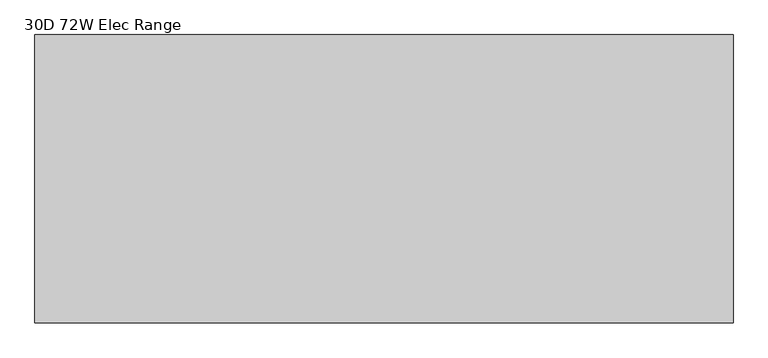
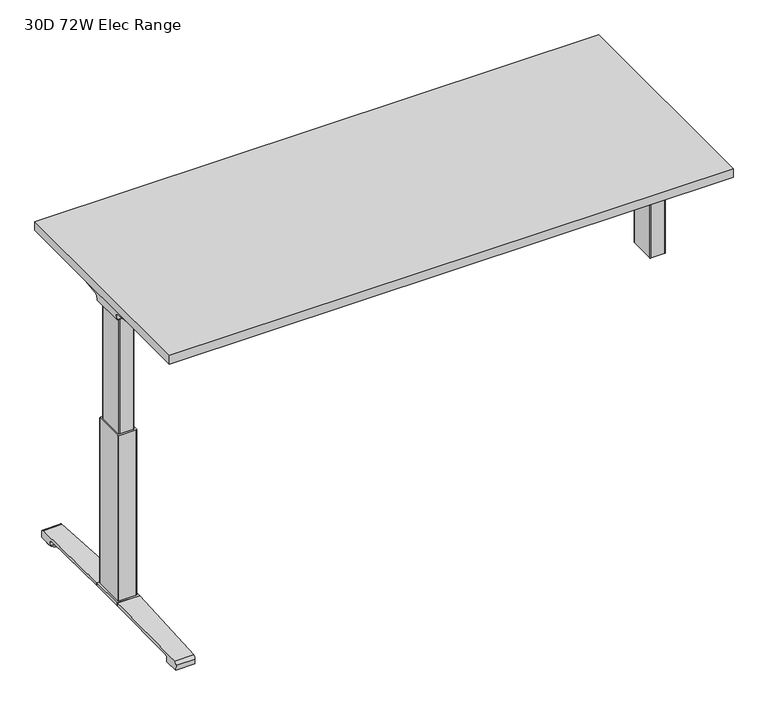
"""IFC4 building model written with IfcOpenShell, lengths in millimetres: furniture geometry, 30D 72W Elec Range."""

from ifc_helpers import new_model, si_unit, point, frame, frame_2d, origin, place, context, project, spatial, polyline, circle_curve, ellipse_curve, trimmed, segment, composite_curve, outline, extrude, source, transform, mapped, element, save
from ifc_brep_helpers import plane_surface, cylinder_surface, revolved_surface, advanced_brep


def furniture_30d_72w_elec_range_a9c08116(model_context):
    return source(origin(), model_context, "Body", "SolidModel", [
        extrude(outline(polyline([(887.476, 366.776), (887.476, -366.776), (-887.476, -366.776), (-887.476, 366.776), (887.476, 366.776)])), frame((0.0, 0.0, 1037.209), z_axis=(0.0, 0.0, 1.0), x_axis=(1.0, 0.0, 0.0)), (0.0, 0.0, 1.0), 29.591),
        advanced_brep(
        [(-871.1406297, 53.5092702, 988.7915733), (-705.4122138, 53.5092702, 988.7915733), (-719.7924181, 51.2808169, 986.1442785), (-868.6518591, 51.2808169, 986.1442785), (-871.3625278, 53.518256, 989.0276054), (-873.7619089, 54.1622827, 1005.9443054), (-690.9773962, 54.1622827, 1005.9443054), (-690.9773962, 53.8142965, 996.8037253), (-693.8075093, 53.7331058, 994.6710821), (-693.9501644, 53.6554397, 992.6310191), (-874.6185362, 59.6293181, 1011.9839076), (-690.9773962, 59.6293181, 1011.9839076), (-877.1393767, 174.2005225, 1029.7569507), (-812.9243442, 174.2005225, 1029.7569507), (-690.9773962, 93.3958, 1017.2219877), (-877.2128152, 177.9765275, 1030.2747243), (-818.6229255, 177.9765275, 1030.2747243), (-877.8871296, 179.4867839, 1035.0289399), (-876.1021288, 176.9098888, 1037.209), (-817.0132011, 176.9098888, 1037.209), (-877.8871296, -179.4867839, 1035.0289399), (-877.2128152, -177.9765275, 1030.2747243), (-818.6229255, -177.9765275, 1030.2747243), (-817.0132011, -176.9098888, 1037.209), (-876.1021288, -176.9098888, 1037.209), (-877.1393767, -174.2005225, 1029.7569507), (-812.9243442, -174.2005225, 1029.7569507), (-874.6185362, -59.6293181, 1011.9839076), (-690.9773962, -59.6293181, 1011.9839076), (-690.9773962, -93.3958, 1017.2219877), (-873.7619089, -54.1622827, 1005.9443054), (-690.9773962, -54.1622827, 1005.9443054), (-871.3625278, -53.518256, 989.0276054), (-871.1406297, -53.5092702, 988.7915733), (-705.4122138, -53.5092702, 988.7915733), (-693.9501644, -53.6554397, 992.6310191), (-693.8075093, -53.7331058, 994.6710821), (-690.9773962, -53.8142965, 996.8037253), (-868.6518591, -51.2808169, 986.1442785), (-719.7924181, -51.2808169, 986.1442785), (-690.9773962, -93.3958, 1037.209), (-690.9773962, 93.3958, 1037.209)],
        [
            (0, 1),
            (1, 2, ellipse_curve(frame((-729.6936465, 130.5470009, 1080.3086722), z_axis=(0.0, 0.7650318638532662, -0.6439924279750482), x_axis=(0.0, 0.6439924279750482, 0.7650318638532662)), 123.7641411, 94.6835116)),
            (2, 3),
            (3, 0),
            (0, 4),
            (4, 5),
            (5, 6),
            (6, 7),
            (7, 8),
            (8, 9),
            (9, 1, ellipse_curve(frame((-729.6936465, 56.9933686, 1080.3086722), z_axis=(0.0, 0.999276106683639, -0.03804290487316255), x_axis=(0.0, 0.03804290487316397, 0.999276106683639)), 94.752102, 94.6835116)),
            (5, 10, ellipse_curve(frame((-873.7119691, 60.6208409, 1005.5922075), z_axis=(-0.990090671484964, 0.0, -0.14042956326377007), x_axis=(-0.1404295632637696, 0.0, 0.990090671484964)), 6.5328852, 6.4681487)),
            (10, 11),
            (11, 6, circle_curve(frame((-690.9773962, 60.6208409, 1005.5922075), z_axis=(1.0, 0.0, 0.0), x_axis=(0.0, 1.0, 0.0)), 6.4681487)),
            (10, 12),
            (12, 13),
            (13, 14),
            (14, 11),
            (12, 15),
            (15, 16),
            (16, 13),
            (15, 17, ellipse_curve(frame((-877.6730772, 175.9994111, 1033.5197755), z_axis=(0.990090671484964, 0.0, 0.14042956326377007), x_axis=(0.1404295632637696, 0.0, -0.990090671484964)), 3.8379455, 3.7999141)),
            (17, 18, ellipse_curve(frame((-879.122811, 175.9994111, 1033.5197755), z_axis=(0.7737284588433301, 0.0, -0.6335173809580328), x_axis=(0.6335173809580328, 0.0, 0.77372845884333)), 4.9111727, 3.7999141)),
            (18, 19),
            (19, 16, ellipse_curve(frame((-815.639148, 175.9994111, 1033.5197755), z_axis=(-0.5523637579768195, -0.8336031902972334, 0.0), x_axis=(0.8336031902972335, -0.5523637579768195, 0.0)), 6.8793689, 3.7999141)),
            (20, 21, ellipse_curve(frame((-877.6730772, -175.9994111, 1033.5197755), z_axis=(0.990090671484964, 0.0, 0.14042956326377007), x_axis=(0.1404295632637696, 0.0, -0.990090671484964)), 3.8379455, 3.7999141)),
            (21, 22),
            (22, 23, ellipse_curve(frame((-815.639148, -175.9994111, 1033.5197755), z_axis=(-0.5523637579750433, 0.8336031902984103, 0.0), x_axis=(0.8336031902984103, 0.5523637579750433, 0.0)), 6.8793689, 3.7999141)),
            (23, 24),
            (24, 20, ellipse_curve(frame((-879.122811, -175.9994111, 1033.5197755), z_axis=(0.7737284588433301, 0.0, -0.6335173809580328), x_axis=(0.6335173809580328, 0.0, 0.77372845884333)), 4.9111727, 3.7999141)),
            (21, 25),
            (25, 26),
            (26, 22),
            (27, 28),
            (28, 29),
            (29, 26),
            (25, 27),
            (27, 30, ellipse_curve(frame((-873.7119691, -60.6208409, 1005.5922075), z_axis=(-0.990090671484964, 0.0, -0.14042956326377007), x_axis=(-0.1404295632637696, 0.0, 0.990090671484964)), 6.5328852, 6.4681487)),
            (30, 31),
            (31, 28, circle_curve(frame((-690.9773962, -60.6208409, 1005.5922075), z_axis=(1.0, 0.0, 0.0), x_axis=(0.0, 1.0, 0.0)), 6.4681487)),
            (30, 32),
            (32, 33),
            (33, 34),
            (34, 35, ellipse_curve(frame((-729.6936465, -56.9933686, 1080.3086722), z_axis=(0.0, -0.9992761066836363, -0.03804290487323539), x_axis=(0.0, 0.03804290487323121, -0.9992761066836364)), 94.752102, 94.6835116)),
            (35, 36),
            (36, 37),
            (37, 31),
            (33, 38),
            (38, 39),
            (39, 34, ellipse_curve(frame((-729.6936465, -130.5470009, 1080.3086722), z_axis=(0.0, -0.7650318638534733, -0.643992427974802), x_axis=(0.0, 0.643992427974802, -0.7650318638534732)), 123.7641411, 94.6835116)),
            (4, 32),
            (20, 17),
            (24, 18),
            (23, 40),
            (40, 41),
            (41, 19),
            (37, 7),
            (14, 41),
            (40, 29),
            (36, 8),
            (35, 9),
            (39, 2),
            (38, 3),
        ],
        [
            plane_surface(frame((-894.1773962, 51.2808169, 986.1442785), z_axis=(0.0, 0.7650318638532662, -0.6439924279750482), x_axis=(1.0, 0.0, 0.0))),
            plane_surface(frame((-894.1773962, 53.5092702, 988.7915733), z_axis=(0.0, 0.999276106683639, -0.03804290487316255), x_axis=(1.0, 0.0, 0.0))),
            revolved_surface(polyline([(-874.6293793154883, 67.08898959999999, 1005.5922075), (-690.9773962, 67.08898959999999, 1005.5922075)]), (-894.1773962, 60.6208409, 1005.5922075), (-1.0, 0.0, 0.0)),
            plane_surface(frame((-894.1773962, 59.6293181, 1011.9839076), z_axis=(0.0, 0.153293135871396, -0.9881807600306302), x_axis=(1.0, 0.0, 0.0))),
            plane_surface(frame((-894.1773962, 174.2005225, 1029.7569507), z_axis=(0.0, 0.13585085469026903, -0.9907292996979162), x_axis=(1.0, 0.0, 0.0))),
            cylinder_surface(frame((-894.1773962, 175.9994111, 1033.5197755), z_axis=(1.0, 0.0, 0.0), x_axis=(0.0, 1.0, 0.0)), 3.7999141),
            cylinder_surface(frame((-894.1773962, -175.9994111, 1033.5197755), z_axis=(1.0, 0.0, 0.0), x_axis=(0.0, 1.0, 0.0)), 3.7999141),
            plane_surface(frame((-894.1773962, -177.9765275, 1030.2747243), z_axis=(0.0, -0.13585085468791205, -0.9907292996982394), x_axis=(1.0, 0.0, 0.0))),
            plane_surface(frame((-894.1773962, -174.2005225, 1029.7569507), z_axis=(0.0, -0.1532931358714066, -0.9881807600306285), x_axis=(1.0, 0.0, 0.0))),
            revolved_surface(polyline([(-874.6293793154883, -54.1526922, 1005.5922075), (-690.9773962, -54.1526922, 1005.5922075)]), (-894.1773962, -60.6208409, 1005.5922075), (-1.0, 0.0, 0.0)),
            plane_surface(frame((-894.1773962, -54.1622827, 1005.9443054), z_axis=(0.0, -0.9992761066836363, -0.03804290487323539), x_axis=(1.0, 0.0, 0.0))),
            plane_surface(frame((-894.1773962, -53.5092702, 988.7915733), z_axis=(0.0, -0.7650318638534733, -0.643992427974802), x_axis=(1.0, 0.0, 0.0))),
            plane_surface(frame((-871.3625278, 190.5, 989.0276054), z_axis=(-0.990090671484964, 0.0, -0.14042956326377007), x_axis=(0.0, -1.0, 0.0))),
            plane_surface(frame((-877.8871296, 190.5, 1035.0289399), z_axis=(-0.7737284588433301, 0.0, 0.6335173809580328), x_axis=(0.0, -1.0, 0.0))),
            plane_surface(frame((-876.1021288, 190.5, 1037.209), z_axis=(0.0, 0.0, 1.0), x_axis=(0.0, -1.0, 0.0))),
            plane_surface(frame((-690.9773962, 190.5, 1037.209), z_axis=(1.0, 0.0, 0.0), x_axis=(0.0, -1.0, 0.0))),
            plane_surface(frame((-690.9773962, 190.5, 996.8037253), z_axis=(0.6018150231516033, 0.0, -0.7986355100476283), x_axis=(0.0, -1.0, 0.0))),
            plane_surface(frame((-693.8075093, 190.5, 994.6710821), z_axis=(0.9975640502600355, 0.0, -0.06975647374110414), x_axis=(0.0, -1.0, 0.0))),
            cylinder_surface(frame((-729.6936465, 190.5, 1080.3086722), z_axis=(0.0, 1.0, 0.0), x_axis=(1.0, 0.0, 0.0)), 94.6835116),
            plane_surface(frame((-719.7924181, 190.5, 986.1442785), z_axis=(0.0, 0.0, -1.0), x_axis=(0.0, -1.0, 0.0))),
            plane_surface(frame((-868.6518591, 190.5, 986.1442785), z_axis=(-0.728584606419653, 0.0, -0.6849558170337118), x_axis=(0.0, -1.0, 0.0))),
            plane_surface(frame((-837.5228017, 190.5, 1037.209), z_axis=(0.5523637579768195, 0.8336031902972334, 0.0), x_axis=(0.0, 0.0, -1.0))),
            plane_surface(frame((-690.9773962, -93.3958, 1037.209), z_axis=(0.5523637579750433, -0.8336031902984103, 0.0), x_axis=(0.0, 0.0, -1.0))),
        ],
        [
            (0, [[1, 2, 3, 4]]),
            (1, [[-1, 5, 6, 7, 8, 9, 10, 11]]),
            (2, [[-7, 12, 13, 14]]),
            (3, [[-13, 15, 16, 17, 18]]),
            (4, [[19, 20, 21, -16]]),
            (5, [[22, 23, 24, 25, -20]]),
            (6, [[26, 27, 28, 29, 30]]),
            (7, [[31, 32, 33, -27]]),
            (8, [[34, 35, 36, -32, 37]]),
            (9, [[-34, 38, 39, 40]]),
            (10, [[-39, 41, 42, 43, 44, 45, 46, 47]]),
            (11, [[-43, 48, 49, 50]]),
            (12, [[51, -41, -38, -37, -31, -26, 52, -22, -19, -15, -12, -6]]),
            (13, [[-52, -30, 53, -23]]),
            (14, [[-53, -29, 54, 55, 56, -24]]),
            (15, [[57, -8, -14, -18, 58, -55, 59, -35, -40, -47]]),
            (16, [[-57, -46, 60, -9]]),
            (17, [[-60, -45, 61, -10]]),
            (18, [[-61, -44, -50, 62, -2, -11]]),
            (19, [[-62, -49, 63, -3]]),
            (20, [[-51, -5, -4, -63, -48, -42]]),
            (21, [[-56, -58, -17, -21, -25]]),
            (22, [[-54, -28, -33, -36, -59]]),
        ],
    ),
        advanced_brep(
        [(705.4122138, 53.5092702, 988.7915733), (871.1406297, 53.5092702, 988.7915733), (868.6518591, 51.2808169, 986.1442785), (719.7924181, 51.2808169, 986.1442785), (693.9501644, 53.6554397, 992.6310191), (693.8075093, 53.7331058, 994.6710821), (691.1619573, 53.8090018, 996.6646485), (691.1619573, 54.1622827, 1005.9443054), (873.7619089, 54.1622827, 1005.9443054), (871.3625278, 53.518256, 989.0276054), (691.1619573, 59.6293181, 1011.9839076), (874.6185362, 59.6293181, 1011.9839076), (691.1619573, 93.3889953, 1017.2209321), (812.9570453, 174.2005225, 1029.7569507), (877.1393767, 174.2005225, 1029.7569507), (877.2128152, 177.9765275, 1030.2747243), (818.6480509, 177.9765275, 1030.2747243), (877.8871296, 179.4867839, 1035.0289399), (817.0404665, 176.9098888, 1037.209), (876.1021288, 176.9098888, 1037.209), (877.2128152, -177.9765275, 1030.2747243), (877.8871296, -179.4867839, 1035.0289399), (876.1021288, -176.9098888, 1037.209), (817.0404665, -176.9098888, 1037.209), (818.6480509, -177.9765275, 1030.2747243), (877.1393767, -174.2005225, 1029.7569507), (812.9570453, -174.2005225, 1029.7569507), (691.1619573, -59.6293181, 1011.9839076), (874.6185362, -59.6293181, 1011.9839076), (691.1619573, -93.3889953, 1017.2209321), (691.1619573, -54.1622827, 1005.9443054), (873.7619089, -54.1622827, 1005.9443054), (691.1619573, -53.8090018, 996.6646485), (693.8075093, -53.7331058, 994.6710821), (693.9501644, -53.6554397, 992.6310191), (705.4122138, -53.5092702, 988.7915733), (871.1406297, -53.5092702, 988.7915733), (871.3625278, -53.518256, 989.0276054), (719.7924181, -51.2808169, 986.1442785), (868.6518591, -51.2808169, 986.1442785), (691.1619573, 93.3889953, 1037.209), (691.1619573, -93.3889953, 1037.209)],
        [
            (0, 1),
            (1, 2),
            (2, 3),
            (3, 0, ellipse_curve(frame((729.6936465, 130.5470009, 1080.3086722), z_axis=(0.0, 0.7650318638532565, -0.6439924279750596), x_axis=(0.0, -0.6439924279750596, -0.7650318638532564)), 123.7641411, 94.6835116)),
            (0, 4, ellipse_curve(frame((729.6936465, 56.9933686, 1080.3086722), z_axis=(0.0, 0.9992761066836392, -0.03804290487315862), x_axis=(0.0, -0.03804290487315623, -0.9992761066836393)), 94.752102, 94.6835116)),
            (4, 5),
            (5, 6),
            (6, 7),
            (7, 8),
            (8, 9),
            (9, 1),
            (7, 10, circle_curve(frame((691.1619573, 60.6208409, 1005.5922075), z_axis=(-1.0, 0.0, 0.0), x_axis=(0.0, 1.0, 0.0)), 6.4681487)),
            (10, 11),
            (11, 8, ellipse_curve(frame((873.7119691, 60.6208409, 1005.5922075), z_axis=(0.9900906714849659, 0.0, -0.1404295632637567), x_axis=(-0.1404295632637562, 0.0, -0.9900906714849659)), 6.5328852, 6.4681487)),
            (10, 12),
            (12, 13),
            (13, 14),
            (14, 11),
            (15, 14),
            (13, 16),
            (16, 15),
            (17, 15, ellipse_curve(frame((877.6730772, 175.9994111, 1033.5197755), z_axis=(-0.9900906714849659, 0.0, 0.1404295632637567), x_axis=(0.1404295632637562, 0.0, 0.9900906714849659)), 3.8379455, 3.7999141)),
            (16, 18, ellipse_curve(frame((815.66824, 175.9994111, 1033.5197755), z_axis=(0.5528743936295495, -0.8332646067539158, 0.0), x_axis=(0.8332646067539158, 0.5528743936295495, 0.0)), 6.8730151, 3.7999141)),
            (18, 19),
            (19, 17, ellipse_curve(frame((879.122811, 175.9994111, 1033.5197755), z_axis=(-0.7737284588399557, 0.0, -0.633517380962154), x_axis=(0.6335173809621538, 0.0, -0.7737284588399556)), 4.9111727, 3.7999141)),
            (20, 21, ellipse_curve(frame((877.6730772, -175.9994111, 1033.5197755), z_axis=(-0.9900906714849659, 0.0, 0.1404295632637567), x_axis=(0.1404295632637562, 0.0, 0.9900906714849659)), 3.8379455, 3.7999141)),
            (21, 22, ellipse_curve(frame((879.122811, -175.9994111, 1033.5197755), z_axis=(-0.7737284588399557, 0.0, -0.633517380962154), x_axis=(0.6335173809621538, 0.0, -0.7737284588399556)), 4.9111727, 3.7999141)),
            (22, 23),
            (23, 24, ellipse_curve(frame((815.66824, -175.9994111, 1033.5197755), z_axis=(0.5528743936295355, 0.8332646067539252, 0.0), x_axis=(0.8332646067539251, -0.5528743936295356, 0.0)), 6.8730151, 3.7999141)),
            (24, 20),
            (25, 20),
            (24, 26),
            (26, 25),
            (27, 28),
            (28, 25),
            (26, 29),
            (29, 27),
            (27, 30, circle_curve(frame((691.1619573, -60.6208409, 1005.5922075), z_axis=(-1.0, 0.0, 0.0), x_axis=(0.0, 1.0, 0.0)), 6.4681487)),
            (30, 31),
            (31, 28, ellipse_curve(frame((873.7119691, -60.6208409, 1005.5922075), z_axis=(0.9900906714849659, 0.0, -0.1404295632637567), x_axis=(-0.1404295632637562, 0.0, -0.9900906714849659)), 6.5328852, 6.4681487)),
            (30, 32),
            (32, 33),
            (33, 34),
            (34, 35, ellipse_curve(frame((729.6936465, -56.9933686, 1080.3086722), z_axis=(0.0, -0.9992761066836363, -0.03804290487323539), x_axis=(0.0, -0.03804290487323121, 0.9992761066836364)), 94.752102, 94.6835116)),
            (35, 36),
            (36, 37),
            (37, 31),
            (35, 38, ellipse_curve(frame((729.6936465, -130.5470009, 1080.3086722), z_axis=(0.0, -0.7650318638534733, -0.643992427974802), x_axis=(0.0, -0.643992427974802, 0.7650318638534732)), 123.7641411, 94.6835116)),
            (38, 39),
            (39, 36),
            (37, 9),
            (17, 21),
            (19, 22),
            (18, 40),
            (40, 41),
            (41, 23),
            (6, 32),
            (29, 41),
            (40, 12),
            (5, 33),
            (4, 34),
            (3, 38),
            (2, 39),
        ],
        [
            plane_surface(frame((691.1619573, 51.2808169, 986.1442785), z_axis=(0.0, 0.7650318638532565, -0.6439924279750596), x_axis=(1.0, 0.0, 0.0))),
            plane_surface(frame((691.1619573, 53.5092702, 988.7915733), z_axis=(0.0, 0.9992761066836392, -0.03804290487315862), x_axis=(1.0, 0.0, 0.0))),
            revolved_surface(polyline([(691.1619573, 67.08898959999999, 1005.5922075), (874.6293793154882, 67.08898959999999, 1005.5922075)]), (691.1619573, 60.6208409, 1005.5922075), (-1.0, 0.0, 0.0)),
            plane_surface(frame((691.1619573, 59.6293181, 1011.9839076), z_axis=(0.0, 0.15329313587140309, -0.988180760030629), x_axis=(1.0, 0.0, 0.0))),
            plane_surface(frame((691.1619573, 174.2005225, 1029.7569507), z_axis=(0.0, 0.1358508546900816, -0.9907292996979419), x_axis=(1.0, 0.0, 0.0))),
            cylinder_surface(frame((691.1619573, 175.9994111, 1033.5197755), z_axis=(1.0, 0.0, 0.0), x_axis=(0.0, 1.0, 0.0)), 3.7999141),
            cylinder_surface(frame((691.1619573, -175.9994111, 1033.5197755), z_axis=(1.0, 0.0, 0.0), x_axis=(0.0, 1.0, 0.0)), 3.7999141),
            plane_surface(frame((691.1619573, -177.9765275, 1030.2747243), z_axis=(0.0, -0.1358508546877776, -0.9907292996982578), x_axis=(1.0, 0.0, 0.0))),
            plane_surface(frame((691.1619573, -174.2005225, 1029.7569507), z_axis=(0.0, -0.15329313587141113, -0.9881807600306277), x_axis=(1.0, 0.0, 0.0))),
            revolved_surface(polyline([(691.1619573, -54.1526922, 1005.5922075), (874.6293793154882, -54.1526922, 1005.5922075)]), (691.1619573, -60.6208409, 1005.5922075), (-1.0, 0.0, 0.0)),
            plane_surface(frame((691.1619573, -54.1622827, 1005.9443054), z_axis=(0.0, -0.9992761066836363, -0.03804290487323539), x_axis=(1.0, 0.0, 0.0))),
            plane_surface(frame((691.1619573, -53.5092702, 988.7915733), z_axis=(0.0, -0.7650318638534733, -0.643992427974802), x_axis=(1.0, 0.0, 0.0))),
            plane_surface(frame((871.3625278, -190.5, 989.0276054), z_axis=(0.9900906714849659, 0.0, -0.1404295632637567), x_axis=(0.0, 1.0, 0.0))),
            plane_surface(frame((877.8871296, -190.5, 1035.0289399), z_axis=(0.7737284588399557, 0.0, 0.633517380962154), x_axis=(0.0, 1.0, 0.0))),
            plane_surface(frame((876.1021288, -190.5, 1037.209), z_axis=(0.0, 0.0, 1.0), x_axis=(0.0, 1.0, 0.0))),
            plane_surface(frame((691.1619573, -190.5, 1037.209), z_axis=(-1.0, 0.0, 0.0), x_axis=(0.0, 1.0, 0.0))),
            plane_surface(frame((691.1619573, -190.5, 996.6646485), z_axis=(-0.6018150231540924, 0.0, -0.7986355100457526), x_axis=(0.0, 1.0, 0.0))),
            plane_surface(frame((693.8075093, -190.5, 994.6710821), z_axis=(-0.9975640502598242, 0.0, -0.06975647374412697), x_axis=(0.0, 1.0, 0.0))),
            cylinder_surface(frame((729.6936465, -190.5, 1080.3086722), z_axis=(0.0, -1.0, 0.0), x_axis=(-1.0, 0.0, 0.0)), 94.6835116),
            plane_surface(frame((719.7924181, -190.5, 986.1442785), z_axis=(0.0, 0.0, -1.0), x_axis=(0.0, 1.0, 0.0))),
            plane_surface(frame((868.6518591, -190.5, 986.1442785), z_axis=(0.7285846064222525, 0.0, -0.6849558170309465), x_axis=(0.0, 1.0, 0.0))),
            plane_surface(frame((691.1619573, 93.3889953, 1037.209), z_axis=(-0.5528743936295495, 0.8332646067539158, 0.0), x_axis=(0.0, 0.0, -1.0))),
            plane_surface(frame((837.5228017, -190.5, 1037.209), z_axis=(-0.5528743936295355, -0.8332646067539252, 0.0), x_axis=(0.0, 0.0, -1.0))),
        ],
        [
            (0, [[1, 2, 3, 4]]),
            (1, [[-1, 5, 6, 7, 8, 9, 10, 11]]),
            (2, [[-9, 12, 13, 14]]),
            (3, [[-13, 15, 16, 17, 18]]),
            (4, [[19, -17, 20, 21]]),
            (5, [[22, -21, 23, 24, 25]]),
            (6, [[26, 27, 28, 29, 30]]),
            (7, [[31, -30, 32, 33]]),
            (8, [[34, 35, -33, 36, 37]]),
            (9, [[-34, 38, 39, 40]]),
            (10, [[-39, 41, 42, 43, 44, 45, 46, 47]]),
            (11, [[-45, 48, 49, 50]]),
            (12, [[51, -10, -14, -18, -19, -22, 52, -26, -31, -35, -40, -47]]),
            (13, [[-52, -25, 53, -27]]),
            (14, [[-53, -24, 54, 55, 56, -28]]),
            (15, [[57, -41, -38, -37, 58, -55, 59, -15, -12, -8]]),
            (16, [[-57, -7, 60, -42]]),
            (17, [[-60, -6, 61, -43]]),
            (18, [[-61, -5, -4, 62, -48, -44]]),
            (19, [[-62, -3, 63, -49]]),
            (20, [[-51, -46, -50, -63, -2, -11]]),
            (21, [[-54, -23, -20, -16, -59]]),
            (22, [[-56, -58, -36, -32, -29]]),
        ],
    ),
        advanced_brep(
        [(-690.9773962, 78.6831697, 1031.9794894), (-690.9773962, 80.4475242, 1034.2075511), (-690.9773962, 91.4281225, 1034.2075511), (-690.9773962, 92.1582919, 1031.6093085), (-690.9773962, 70.7319108, 1002.0462148), (-690.9773962, 53.3310914, 993.4452863), (-690.9773962, -53.4567844, 993.4452863), (-690.9773962, -71.0845783, 1002.4997482), (-690.9773962, -92.4192862, 1032.2706054), (-690.9773962, -90.7807234, 1034.3266572), (-690.9773962, -80.5655902, 1034.3266572), (-690.9773962, -78.6946152, 1031.9794894), (-690.9773962, -79.4358363, 1031.4423822), (-690.9773962, -81.0060637, 1033.4122572), (-690.9773962, -90.6846762, 1033.4122572), (-690.9773962, -91.4905649, 1032.5444366), (-690.9773962, -70.3413256, 1003.0323858), (-690.9773962, -53.4567844, 994.3598536), (-690.9773962, 53.3310914, 994.3596863), (-690.9773962, 69.99844, 1002.5923713), (-690.9773962, 91.3521627, 1032.0552144), (-690.9773962, 91.0948942, 1033.2931511), (-690.9773962, 80.889809, 1033.2931511), (-690.9773962, 79.4242719, 1031.4424419), (691.1619573, 78.6831697, 1031.9794894), (691.1619573, 79.4242719, 1031.4424419), (691.1619573, 80.889809, 1033.2931511), (691.1619573, 91.0948942, 1033.2931511), (691.1619573, 91.3521627, 1032.0552144), (691.1619573, 69.99844, 1002.5923713), (691.1619573, 53.3310914, 994.3596863), (691.1619573, -53.4567845, 994.3596863), (691.1619573, -70.3413256, 1003.0323858), (691.1619573, -91.4905649, 1032.5444366), (691.1619573, -90.6846762, 1033.4122572), (691.1619573, -81.0060637, 1033.4122572), (691.1619573, -79.4358363, 1031.4423822), (691.1619573, -78.6946152, 1031.9794894), (691.1619573, -80.5655902, 1034.3266572), (691.1619573, -90.7807234, 1034.3266572), (691.1619573, -92.4192862, 1032.2706054), (691.1619573, -71.0845783, 1002.4997482), (691.1619573, -53.4567844, 993.4454536), (691.1619573, 53.3310914, 993.4452863), (691.1619573, 70.7319108, 1002.0462148), (691.1619573, 92.1582919, 1031.6093085), (691.1619573, 91.4281225, 1034.2075511), (691.1619573, 80.4475242, 1034.2075511)],
        [
            (0, 1),
            (1, 2),
            (2, 3, circle_curve(frame((-690.9773962, 90.2105576, 1032.4636667), z_axis=(-1.0, 0.0, 0.0), x_axis=(0.0, 1.0, 0.0)), 2.1268749)),
            (3, 4),
            (4, 5, circle_curve(frame((-690.9773962, 53.3310914, 1015.3478336), z_axis=(-1.0, 0.0, 0.0), x_axis=(0.0, 1.0, 0.0)), 21.9025472)),
            (5, 6),
            (6, 7, circle_curve(frame((-690.9773962, -53.4567844, 1015.132365), z_axis=(-1.0, 0.0, 0.0), x_axis=(0.0, 1.0, 0.0)), 21.6869114)),
            (7, 8),
            (8, 9, circle_curve(frame((-690.9773962, -90.4189365, 1032.3573833), z_axis=(-1.0, 0.0, 0.0), x_axis=(0.0, 1.0, 0.0)), 2.0022311)),
            (9, 10),
            (10, 11),
            (11, 12),
            (12, 13),
            (13, 14),
            (14, 15, circle_curve(frame((-690.9773962, -90.4189365, 1032.3573833), z_axis=(1.0, 0.0, 0.0), x_axis=(0.0, 1.0, 0.0)), 1.0878311)),
            (15, 16),
            (16, 17, circle_curve(frame((-690.9773962, -53.4567844, 1015.132365), z_axis=(1.0, 0.0, 0.0), x_axis=(0.0, 1.0, 0.0)), 20.7725114)),
            (17, 18),
            (18, 19, circle_curve(frame((-690.9773962, 53.3310914, 1015.3478336), z_axis=(1.0, 0.0, 0.0), x_axis=(0.0, 1.0, 0.0)), 20.9881473)),
            (19, 20),
            (20, 21, circle_curve(frame((-690.9773962, 90.2105576, 1032.4636667), z_axis=(1.0, 0.0, 0.0), x_axis=(0.0, 1.0, 0.0)), 1.2124749)),
            (21, 22),
            (22, 23),
            (23, 0),
            (24, 25),
            (25, 26),
            (26, 27),
            (27, 28, circle_curve(frame((691.1619573, 90.2105576, 1032.4636667), z_axis=(-1.0, 0.0, 0.0), x_axis=(0.0, 1.0, 0.0)), 1.2124749)),
            (28, 29),
            (29, 30, circle_curve(frame((691.1619573, 53.3310914, 1015.3478336), z_axis=(-1.0, 0.0, 0.0), x_axis=(0.0, 1.0, 0.0)), 20.9881473)),
            (30, 31),
            (31, 32, circle_curve(frame((691.1619573, -53.4567844, 1015.132365), z_axis=(-1.0, 0.0, 0.0), x_axis=(0.0, 1.0, 0.0)), 20.7725114)),
            (32, 33),
            (33, 34, circle_curve(frame((691.1619573, -90.4189365, 1032.3573833), z_axis=(-1.0, 0.0, 0.0), x_axis=(0.0, 1.0, 0.0)), 1.0878311)),
            (34, 35),
            (35, 36),
            (36, 37),
            (37, 38),
            (38, 39),
            (39, 40, circle_curve(frame((691.1619573, -90.4189365, 1032.3573833), z_axis=(1.0, 0.0, 0.0), x_axis=(0.0, 1.0, 0.0)), 2.0022311)),
            (40, 41),
            (41, 42, circle_curve(frame((691.1619573, -53.4567844, 1015.132365), z_axis=(1.0, 0.0, 0.0), x_axis=(0.0, 1.0, 0.0)), 21.6869114)),
            (42, 43),
            (43, 44, circle_curve(frame((691.1619573, 53.3310914, 1015.3478336), z_axis=(1.0, 0.0, 0.0), x_axis=(0.0, 1.0, 0.0)), 21.9025472)),
            (44, 45),
            (45, 46, circle_curve(frame((691.1619573, 90.2105576, 1032.4636667), z_axis=(1.0, 0.0, 0.0), x_axis=(0.0, 1.0, 0.0)), 2.1268749)),
            (46, 47),
            (47, 24),
            (0, 24),
            (47, 1),
            (46, 2),
            (45, 3),
            (44, 4),
            (43, 5),
            (42, 6),
            (41, 7),
            (40, 8),
            (39, 9),
            (38, 10),
            (37, 11),
            (36, 12),
            (35, 13),
            (34, 14),
            (33, 15),
            (32, 16),
            (31, 17),
            (30, 18),
            (29, 19),
            (28, 20),
            (27, 21),
            (26, 22),
            (25, 23),
        ],
        [
            plane_surface(frame((-690.9773962, 0.0, 1037.209), z_axis=(-1.0, 0.0, 0.0), x_axis=(0.0, 0.0, 1.0))),
            plane_surface(frame((691.1619573, 0.0, 1037.209), z_axis=(1.0, 0.0, 0.0), x_axis=(0.0, 0.0, 1.0))),
            plane_surface(frame((-690.9773962, 78.6831697, 1031.9794894), z_axis=(0.0, -0.7839649337165058, 0.6208051084703434), x_axis=(1.0, 0.0, 0.0))),
            plane_surface(frame((-690.9773962, 80.4475242, 1034.2075511), z_axis=(0.0, 0.0, 1.0), x_axis=(1.0, 0.0, 0.0))),
            cylinder_surface(frame((-690.9773962, 90.2105576, 1032.4636667), z_axis=(-1.0, 0.0, 0.0), x_axis=(0.0, 1.0, 0.0)), 2.1268749),
            plane_surface(frame((-690.9773962, 92.1582919, 1031.6093085), z_axis=(0.0, 0.8096997445281038, -0.586844377762217), x_axis=(1.0, 0.0, 0.0))),
            cylinder_surface(frame((-690.9773962, 53.3310914, 1015.3478336), z_axis=(-1.0, 0.0, 0.0), x_axis=(0.0, 1.0, 0.0)), 21.9025472),
            plane_surface(frame((-690.9773962, 53.3310914, 993.4452863), z_axis=(0.0, 0.0, -1.0), x_axis=(1.0, 0.0, 0.0))),
            cylinder_surface(frame((-690.9773962, -53.4567844, 1015.132365), z_axis=(-1.0, 0.0, 0.0), x_axis=(0.0, 1.0, 0.0)), 21.6869114),
            plane_surface(frame((-690.9773962, -71.0845783, 1002.4997482), z_axis=(0.0, -0.8128309997561537, -0.5824995844079305), x_axis=(1.0, 0.0, 0.0))),
            cylinder_surface(frame((-690.9773962, -90.4189365, 1032.3573833), z_axis=(-1.0, 0.0, 0.0), x_axis=(0.0, 1.0, 0.0)), 2.0022311),
            plane_surface(frame((-690.9773962, -90.7807234, 1034.3266572), z_axis=(0.0, 0.0, 1.0), x_axis=(1.0, 0.0, 0.0))),
            plane_surface(frame((-690.9773962, -80.5655902, 1034.3266572), z_axis=(0.0, 0.7819660587237972, 0.6233210112004657), x_axis=(1.0, 0.0, 0.0))),
            plane_surface(frame((-690.9773962, -78.6946152, 1031.9794894), z_axis=(0.0, 0.5867684336468096, -0.8097547809526473), x_axis=(1.0, 0.0, 0.0))),
            plane_surface(frame((-690.9773962, -79.4358363, 1031.4423822), z_axis=(0.0, -0.7819660587239206, -0.6233210112003109), x_axis=(1.0, 0.0, 0.0))),
            plane_surface(frame((-690.9773962, -81.0060637, 1033.4122572), z_axis=(0.0, 0.0, -1.0), x_axis=(1.0, 0.0, 0.0))),
            revolved_surface(polyline([(691.1619573000002, -89.3311054, 1032.3573833), (-690.9773962, -89.3311054, 1032.3573833)]), (-690.9773962, -90.4189365, 1032.3573833), (1.0, 0.0, 0.0)),
            plane_surface(frame((-690.9773962, -91.4905649, 1032.5444366), z_axis=(0.0, 0.8128309996716102, 0.582499584525904), x_axis=(1.0, 0.0, 0.0))),
            revolved_surface(polyline([(691.1619573000002, -32.684273, 1015.132365), (-690.9773962, -32.684273, 1015.132365)]), (-690.9773962, -53.4567844, 1015.132365), (1.0, 0.0, 0.0)),
            plane_surface(frame((-690.9773962, -53.4567845, 994.3596863), z_axis=(0.0, 0.0, 1.0), x_axis=(1.0, 0.0, 0.0))),
            revolved_surface(polyline([(691.1619573000002, 74.3192387, 1015.3478336), (-690.9773962, 74.3192387, 1015.3478336)]), (-690.9773962, 53.3310914, 1015.3478336), (1.0, 0.0, 0.0)),
            plane_surface(frame((-690.9773962, 69.99844, 1002.5923713), z_axis=(0.0, -0.8096997449536107, 0.5868443771751228), x_axis=(1.0, 0.0, 0.0))),
            revolved_surface(polyline([(691.1619573000002, 91.4230325, 1032.4636667), (-690.9773962, 91.4230325, 1032.4636667)]), (-690.9773962, 90.2105576, 1032.4636667), (1.0, 0.0, 0.0)),
            plane_surface(frame((-690.9773962, 91.0948942, 1033.2931511), z_axis=(0.0, 0.0, -1.0), x_axis=(1.0, 0.0, 0.0))),
            plane_surface(frame((-690.9773962, 80.889809, 1033.2931511), z_axis=(0.0, 0.7839649337164979, -0.6208051084703533), x_axis=(1.0, 0.0, 0.0))),
            plane_surface(frame((-690.9773962, 79.4242719, 1031.4424419), z_axis=(0.0, -0.5867873637752554, -0.8097410633737715), x_axis=(1.0, 0.0, 0.0))),
        ],
        [
            (0, [[1, 2, 3, 4, 5, 6, 7, 8, 9, 10, 11, 12, 13, 14, 15, 16, 17, 18, 19, 20, 21, 22, 23, 24]]),
            (1, [[25, 26, 27, 28, 29, 30, 31, 32, 33, 34, 35, 36, 37, 38, 39, 40, 41, 42, 43, 44, 45, 46, 47, 48]]),
            (2, [[-1, 49, -48, 50]]),
            (3, [[-2, -50, -47, 51]]),
            (4, [[-3, -51, -46, 52]]),
            (5, [[-4, -52, -45, 53]]),
            (6, [[-5, -53, -44, 54]]),
            (7, [[-6, -54, -43, 55]]),
            (8, [[-7, -55, -42, 56]]),
            (9, [[-8, -56, -41, 57]]),
            (10, [[-9, -57, -40, 58]]),
            (11, [[-10, -58, -39, 59]]),
            (12, [[-11, -59, -38, 60]]),
            (13, [[-12, -60, -37, 61]]),
            (14, [[-13, -61, -36, 62]]),
            (15, [[-14, -62, -35, 63]]),
            (16, [[-15, -63, -34, 64]]),
            (17, [[-16, -64, -33, 65]]),
            (18, [[-17, -65, -32, 66]]),
            (19, [[-18, -66, -31, 67]]),
            (20, [[-19, -67, -30, 68]]),
            (21, [[-20, -68, -29, 69]]),
            (22, [[-21, -69, -28, 70]]),
            (23, [[-22, -70, -27, 71]]),
            (24, [[-23, -71, -26, 72]]),
            (25, [[-24, -72, -25, -49]]),
        ],
    ),
        extrude(outline(composite_curve([segment(polyline([(-85.2357617, 1035.5739712), (-93.5160102, 1035.5739712), (-94.0273408, 1034.5565876), (-71.001647, 1002.6872047)]), True, "CONTINUOUS"), segment(trimmed(circle_curve(frame_2d((-52.8576186, 1018.2741393)), 23.9198306), [point((-71.001647, 1002.6872047))], [point((-52.8576186, 994.3543087))], True, "CARTESIAN"), True, "CONTINUOUS"), segment(polyline([(-52.8576186, 994.3543087), (160.8304611, 994.3543087)]), True, "CONTINUOUS"), segment(trimmed(circle_curve(frame_2d((161.6245677, 1016.4522042)), 22.1121593), [point((160.8304611, 994.3543087))], [point((179.5297793, 1003.4771903))], True, "CARTESIAN"), True, "CONTINUOUS"), segment(polyline([(179.5297793, 1003.4771903), (201.4820672, 1033.7708273), (202.2225039, 1033.2342821), (180.2702102, 1002.940637)]), True, "CONTINUOUS"), segment(trimmed(circle_curve(frame_2d((161.6245677, 1016.4522042)), 23.0265593), [point((180.2702102, 1002.940637))], [point((160.814203, 993.4399087))], False, "CARTESIAN"), True, "CONTINUOUS"), segment(polyline([(160.814203, 993.4399087), (-52.8576186, 993.4399087)]), True, "CONTINUOUS"), segment(trimmed(circle_curve(frame_2d((-52.8576186, 1018.2741393)), 24.8342306), [point((-52.8576186, 993.4399087))], [point((-71.7205231, 1002.1208163))], False, "CARTESIAN"), True, "CONTINUOUS"), segment(polyline([(-71.7205231, 1002.1208163), (-95.0936869, 1034.4711252), (-94.0798316, 1036.4883712), (-84.9968781, 1036.4883712), (-85.2357617, 1035.5739712)]), True, "CONTINUOUS")], self_intersect=False)), frame((-690.9773962, 0.0, 0.0), z_axis=(1.0, 0.0, 0.0), x_axis=(0.0, 1.0, 0.0)), (0.0, 0.0, 1.0), 1382.1393535),
        advanced_brep(
        [(814.7283088, 44.7482497, 986.1442785), (811.9624028, 42.3950111, 986.1442785), (811.9624028, -42.3786142, 986.1442785), (815.0159671, -44.728013, 986.1442785), (858.3299922, -44.7482497, 986.1442785), (861.3895972, -42.3785064, 986.1442785), (861.3895972, 42.3950956, 986.1442785), (858.6236912, 44.7482497, 986.1442785), (814.7283088, 44.7482497, 599.0990785), (858.6236912, 44.7482497, 599.0990785), (861.3895972, 42.3950956, 599.0990785), (861.3895972, -42.3785064, 599.0990785), (858.3360098, -44.7280077, 599.0990785), (815.0220078, -44.7482497, 599.0990785), (811.9624028, -42.3786142, 599.0990785), (811.9624028, 42.3950111, 599.0990785)],
        [
            (0, 1, circle_curve(frame((815.0300788, 41.5914719, 986.1442785), z_axis=(0.0, 0.0, 1.0), x_axis=(1.0, 0.0, 0.0)), 3.1711688)),
            (1, 2),
            (2, 3, circle_curve(frame((815.0159671, -41.568922, 986.1442785), z_axis=(0.0, 0.0, 1.0), x_axis=(1.0, 0.0, 0.0)), 3.1590911)),
            (3, 4),
            (4, 5, circle_curve(frame((858.3360098, -41.568922, 986.1442785), z_axis=(0.0, 0.0, 1.0), x_axis=(1.0, 0.0, 0.0)), 3.1590858)),
            (5, 6),
            (6, 7, circle_curve(frame((858.3219439, 41.5914698, 986.1442785), z_axis=(0.0, 0.0, 1.0), x_axis=(1.0, 0.0, 0.0)), 3.1711687)),
            (7, 0),
            (8, 9),
            (9, 10, circle_curve(frame((858.3219439, 41.5914698, 599.0990785), z_axis=(0.0, 0.0, -1.0), x_axis=(1.0, 0.0, 0.0)), 3.1711687)),
            (10, 11),
            (11, 12, circle_curve(frame((858.3360098, -41.568922, 599.0990785), z_axis=(0.0, 0.0, -1.0), x_axis=(1.0, 0.0, 0.0)), 3.1590858)),
            (12, 13),
            (13, 14, circle_curve(frame((815.0159671, -41.568922, 599.0990785), z_axis=(0.0, 0.0, -1.0), x_axis=(1.0, 0.0, 0.0)), 3.1590911)),
            (14, 15),
            (15, 8, circle_curve(frame((815.0300788, 41.5914719, 599.0990785), z_axis=(0.0, 0.0, -1.0), x_axis=(1.0, 0.0, 0.0)), 3.1711688)),
            (7, 9),
            (8, 0),
            (6, 10),
            (5, 11),
            (4, 12),
            (3, 13),
            (2, 14),
            (1, 15),
        ],
        [
            plane_surface(frame((818.2012476, 41.5914719, 986.1442785), z_axis=(0.0, 0.0, 1.0), x_axis=(0.0, 1.0, 0.0))),
            plane_surface(frame((818.2012476, 41.5914719, 599.0990785), z_axis=(0.0, 0.0, -1.0), x_axis=(0.0, -1.0, 0.0))),
            plane_surface(frame((858.6236912, 44.7482497, 986.1442785), z_axis=(0.0, 1.0, 0.0), x_axis=(0.0, 0.0, -1.0))),
            cylinder_surface(frame((858.3219439, 41.5914698, 599.0990785), z_axis=(0.0, 0.0, 1.0), x_axis=(1.0, 0.0, 0.0)), 3.1711687),
            plane_surface(frame((861.3895972, -42.3785064, 986.1442785), z_axis=(1.0, 0.0, 0.0), x_axis=(0.0, 0.0, -1.0))),
            cylinder_surface(frame((858.3360098, -41.568922, 599.0990785), z_axis=(0.0, 0.0, 1.0), x_axis=(1.0, 0.0, 0.0)), 3.1590858),
            plane_surface(frame((815.0220078, -44.7482497, 986.1442785), z_axis=(0.0, -1.0, 0.0), x_axis=(0.0, 0.0, -1.0))),
            cylinder_surface(frame((815.0159671, -41.568922, 599.0990785), z_axis=(0.0, 0.0, 1.0), x_axis=(1.0, 0.0, 0.0)), 3.1590911),
            plane_surface(frame((811.9624028, 42.3950111, 986.1442785), z_axis=(-1.0, 0.0, 0.0), x_axis=(0.0, 0.0, -1.0))),
            cylinder_surface(frame((815.0300788, 41.5914719, 599.0990785), z_axis=(0.0, 0.0, 1.0), x_axis=(1.0, 0.0, 0.0)), 3.1711688),
        ],
        [
            (0, [[1, 2, 3, 4, 5, 6, 7, 8]]),
            (1, [[9, 10, 11, 12, 13, 14, 15, 16]]),
            (2, [[-8, 17, -9, 18]]),
            (3, [[-7, 19, -10, -17]]),
            (4, [[-6, 20, -11, -19]]),
            (5, [[-5, 21, -12, -20]]),
            (6, [[-4, 22, -13, -21]]),
            (7, [[-3, 23, -14, -22]]),
            (8, [[-2, 24, -15, -23]]),
            (9, [[-1, -18, -16, -24]]),
        ],
    ),
        advanced_brep(
        [(-814.7283088, 44.7482497, 986.1442785), (-858.6236912, 44.7482497, 986.1442785), (-861.3806448, 42.4285241, 986.1442785), (-861.3806448, -42.4115492, 986.1442785), (-858.3360098, -44.7280077, 986.1442785), (-815.0220078, -44.7482497, 986.1442785), (-811.9713552, -42.4116525, 986.1442785), (-811.9713552, 42.4284433, 986.1442785), (-814.7283088, 44.7482497, 599.0990785), (-811.9713552, 42.4284433, 599.0990785), (-811.9713552, -42.4116525, 599.0990785), (-815.0159671, -44.728013, 599.0990785), (-858.3299922, -44.7482497, 599.0990785), (-861.3806448, -42.4115492, 599.0990785), (-861.3806448, 42.4285241, 599.0990785), (-858.6236912, 44.7482497, 599.0990785)],
        [
            (0, 1),
            (1, 2, circle_curve(frame((-858.3219439, 41.5914698, 986.1442785), z_axis=(0.0, 0.0, 1.0), x_axis=(-1.0, 0.0, 0.0)), 3.1711687)),
            (2, 3),
            (3, 4, circle_curve(frame((-858.3360098, -41.568922, 986.1442785), z_axis=(0.0, 0.0, 1.0), x_axis=(-1.0, 0.0, 0.0)), 3.1590858)),
            (4, 5),
            (5, 6, circle_curve(frame((-815.0159671, -41.568922, 986.1442785), z_axis=(0.0, 0.0, 1.0), x_axis=(-1.0, 0.0, 0.0)), 3.1590911)),
            (6, 7),
            (7, 0, circle_curve(frame((-815.0300788, 41.5914719, 986.1442785), z_axis=(0.0, 0.0, 1.0), x_axis=(-1.0, 0.0, 0.0)), 3.1711688)),
            (8, 9, circle_curve(frame((-815.0300788, 41.5914719, 599.0990785), z_axis=(0.0, 0.0, -1.0), x_axis=(-1.0, 0.0, 0.0)), 3.1711688)),
            (9, 10),
            (10, 11, circle_curve(frame((-815.0159671, -41.568922, 599.0990785), z_axis=(0.0, 0.0, -1.0), x_axis=(-1.0, 0.0, 0.0)), 3.1590911)),
            (11, 12),
            (12, 13, circle_curve(frame((-858.3360098, -41.568922, 599.0990785), z_axis=(0.0, 0.0, -1.0), x_axis=(-1.0, 0.0, 0.0)), 3.1590858)),
            (13, 14),
            (14, 15, circle_curve(frame((-858.3219439, 41.5914698, 599.0990785), z_axis=(0.0, 0.0, -1.0), x_axis=(-1.0, 0.0, 0.0)), 3.1711687)),
            (15, 8),
            (0, 8),
            (15, 1),
            (14, 2),
            (13, 3),
            (12, 4),
            (11, 5),
            (10, 6),
            (9, 7),
        ],
        [
            plane_surface(frame((-858.6236912, 44.7482497, 986.1442785), z_axis=(0.0, 0.0, 1.0), x_axis=(-1.0, 0.0, 0.0))),
            plane_surface(frame((-858.6236912, 44.7482497, 599.0990785), z_axis=(0.0, 0.0, -1.0), x_axis=(1.0, 0.0, 0.0))),
            plane_surface(frame((-814.7283088, 44.7482497, 986.1442785), z_axis=(0.0, 1.0, 0.0), x_axis=(0.0, 0.0, -1.0))),
            cylinder_surface(frame((-858.3219439, 41.5914698, 599.0990785), z_axis=(0.0, 0.0, 1.0), x_axis=(-1.0, 0.0, 0.0)), 3.1711687),
            plane_surface(frame((-861.3806448, 42.4285241, 986.1442785), z_axis=(-1.0, 0.0, 0.0), x_axis=(0.0, 0.0, -1.0))),
            cylinder_surface(frame((-858.3360098, -41.568922, 599.0990785), z_axis=(0.0, 0.0, 1.0), x_axis=(-1.0, 0.0, 0.0)), 3.1590858),
            plane_surface(frame((-858.3299922, -44.7482497, 986.1442785), z_axis=(0.0, -1.0, 0.0), x_axis=(0.0, 0.0, -1.0))),
            cylinder_surface(frame((-815.0159671, -41.568922, 599.0990785), z_axis=(0.0, 0.0, 1.0), x_axis=(-1.0, 0.0, 0.0)), 3.1590911),
            plane_surface(frame((-811.9713552, -42.4116525, 986.1442785), z_axis=(1.0, 0.0, 0.0), x_axis=(0.0, 0.0, -1.0))),
            cylinder_surface(frame((-815.0300788, 41.5914719, 599.0990785), z_axis=(0.0, 0.0, 1.0), x_axis=(-1.0, 0.0, 0.0)), 3.1711688),
        ],
        [
            (0, [[1, 2, 3, 4, 5, 6, 7, 8]]),
            (1, [[9, 10, 11, 12, 13, 14, 15, 16]]),
            (2, [[-1, 17, -16, 18]]),
            (3, [[-2, -18, -15, 19]]),
            (4, [[-3, -19, -14, 20]]),
            (5, [[-4, -20, -13, 21]]),
            (6, [[-5, -21, -12, 22]]),
            (7, [[-6, -22, -11, 23]]),
            (8, [[-7, -23, -10, 24]]),
            (9, [[-8, -24, -9, -17]]),
        ],
    ),
        advanced_brep(
        [(-807.0014654, 366.395, 26.8186), (-806.8697974, 358.907527, 35.7787117), (-801.5452167, 56.1182127, 48.10013), (-801.5452167, 56.1182127, 38.9541198), (-806.0336749, 311.3603185, 29.0296138), (-806.1383932, 317.3152602, 22.833301), (-806.1580704, 318.4342309, 10.0434261), (-806.9760503, 364.9497362, 10.041053), (-866.4818447, 358.907527, 35.7787117), (-866.3501767, 366.395, 26.8186), (-866.3755918, 364.9497362, 10.041053), (-867.1935717, 318.4342309, 10.0434261), (-867.2132489, 317.3152602, 22.833301), (-867.3179671, 311.3603185, 29.0296138), (-871.8064255, 56.1182064, 38.9541201), (-871.8064254, 56.1182127, 48.10013)],
        [
            (0, 1, ellipse_curve(frame((-806.8563169, 358.1409412, 27.5296273), z_axis=(0.9998454179622465, 0.017582382657102918, 0.0), x_axis=(0.01758238265709549, -0.9998454179622466, 0.0)), 8.285908, 8.2846272)),
            (1, 2, ellipse_curve(frame((-776.6232477, -1361.1024809, -38505.5680815), z_axis=(0.9998454179622465, 0.017582382657102918, 0.0), x_axis=(0.01758238265709549, -0.9998454179622466, 0.0)), 38585.6723627, 38579.7077109)),
            (2, 3),
            (3, 4),
            (4, 5, ellipse_curve(frame((-806.0184229, 310.4929906, 22.2364289), z_axis=(-0.9998454179622465, -0.017582382657102918, 0.0), x_axis=(-0.01758238265709549, 0.9998454179622466, 0.0)), 6.8493884, 6.8483297)),
            (5, 6),
            (6, 7),
            (7, 0),
            (8, 9, ellipse_curve(frame((-866.4953252, 358.1409412, 27.5296273), z_axis=(-0.9998454179622477, 0.017582382657030396, 0.0), x_axis=(0.017582382657032294, 0.9998454179622477, 0.0)), 8.285908, 8.2846272)),
            (9, 10),
            (10, 11),
            (11, 12),
            (12, 13, ellipse_curve(frame((-867.3332192, 310.4929906, 22.2364289), z_axis=(0.9998454179622477, -0.017582382657030396, 0.0), x_axis=(-0.017582382657032294, -0.9998454179622477, 0.0)), 6.8493884, 6.8483297)),
            (13, 14),
            (14, 15),
            (15, 8, ellipse_curve(frame((-896.7283944, -1361.1024809, -38505.5680815), z_axis=(-0.9998454179622477, 0.017582382657030396, 0.0), x_axis=(0.017582382657032294, 0.9998454179622477, 0.0)), 38585.6723627, 38579.7077109)),
            (0, 9),
            (8, 1),
            (7, 10),
            (6, 11),
            (5, 12),
            (4, 13),
            (3, 14),
            (2, 15),
        ],
        [
            plane_surface(frame((-807.0293817, 367.9825, 48.10013), z_axis=(0.9998454179622465, 0.017582382657102918, 0.0), x_axis=(0.0, 0.0, -1.0))),
            plane_surface(frame((-871.8064254, 56.1182127, 48.10013), z_axis=(-0.9998454179622477, 0.017582382657030396, 0.0), x_axis=(0.0, 0.0, -1.0))),
            cylinder_surface(frame((-871.8067833, 358.1409412, 27.5296273), z_axis=(1.0, 0.0, 0.0), x_axis=(0.0, 1.0, 0.0)), 8.2846272),
            plane_surface(frame((-801.5452167, 364.9497362, 10.041053), z_axis=(0.0, 0.996310236870443, -0.08582489095339331), x_axis=(-1.0, 0.0, 0.0))),
            plane_surface(frame((-801.5452167, 318.4342309, 10.0434261), z_axis=(0.0, -5.101798420220508e-05, -0.9999999986985827), x_axis=(-1.0, 0.0, 0.0))),
            plane_surface(frame((-801.5452167, 317.3152602, 22.833301), z_axis=(0.0, -0.996194687383787, -0.08715586514009757), x_axis=(-1.0, 0.0, 0.0))),
            revolved_surface(polyline([(-867.4536477678155, 317.3413203, 22.2364289), (-805.8979943321841, 317.3413203, 22.2364289)]), (-871.8067833, 310.4929906, 22.2364289), (-1.0, 0.0, 0.0)),
            plane_surface(frame((-801.5452167, 56.1182127, 38.9541198), z_axis=(0.0, -0.03885335543750579, -0.9992449233152235), x_axis=(-1.0, 0.0, 0.0))),
            plane_surface(frame((-801.5452167, 56.1182127, 48.10013), z_axis=(0.0, -1.0, 0.0), x_axis=(-1.0, 0.0, 0.0))),
            cylinder_surface(frame((-871.8067833, -1361.1024809, -38505.5680815), z_axis=(1.0, 0.0, 0.0), x_axis=(0.0, 1.0, 0.0)), 38579.7077109),
        ],
        [
            (0, [[1, 2, 3, 4, 5, 6, 7, 8]]),
            (1, [[9, 10, 11, 12, 13, 14, 15, 16]]),
            (2, [[17, -9, 18, -1]]),
            (3, [[-17, -8, 19, -10]]),
            (4, [[-19, -7, 20, -11]]),
            (5, [[-20, -6, 21, -12]]),
            (6, [[-21, -5, 22, -13]]),
            (7, [[23, -14, -22, -4]]),
            (8, [[-23, -3, 24, -15]]),
            (9, [[-24, -2, -18, -16]]),
        ],
    ),
        extrude(outline(polyline([(-801.5452167, 56.1182127), (-801.5452167, -56.1182127), (-871.8067833, -56.1182127), (-871.8067833, 56.1182127), (-801.5452167, 56.1182127)])), frame((0.0, 0.0, 38.9541198), z_axis=(0.0, 0.0, 1.0), x_axis=(1.0, 0.0, 0.0)), (0.0, 0.0, 1.0), 9.1460102),
        advanced_brep(
        [(-806.8697974, -358.907527, 35.7787117), (-866.4818447, -358.907527, 35.7787117), (-866.3501767, -366.395, 26.8186), (-807.0014654, -366.395, 26.8186), (-866.3755918, -364.9497362, 10.041053), (-806.9760503, -364.9497362, 10.041053), (-867.1935717, -318.4342309, 10.0434261), (-806.1580704, -318.4342309, 10.0434261), (-867.2132489, -317.3152602, 22.833301), (-806.1383932, -317.3152602, 22.833301), (-867.3179671, -311.3603185, 29.0296138), (-806.0336749, -311.3603185, 29.0296138), (-871.8067833, -56.1182127, 38.9541198), (-801.5452167, -56.1182127, 38.9541198), (-871.8064254, -56.1182127, 48.10013), (-801.5452167, -56.1182127, 48.10013)],
        [
            (0, 1),
            (1, 2, ellipse_curve(frame((-866.4953252, -358.1409412, 27.5296273), z_axis=(0.9998454179622459, 0.01758238265713039, 0.0), x_axis=(0.01758238265713116, -0.9998454179622459, 0.0)), 8.285908, 8.2846272)),
            (2, 3),
            (3, 0, ellipse_curve(frame((-806.8563169, -358.1409412, 27.5296273), z_axis=(-0.999845417962247, 0.017582382657071804, 0.0), x_axis=(0.01758238265706666, 0.9998454179622471, 0.0)), 8.285908, 8.2846272)),
            (2, 4),
            (4, 5),
            (5, 3),
            (4, 6),
            (6, 7),
            (7, 5),
            (6, 8),
            (8, 9),
            (9, 7),
            (8, 10, ellipse_curve(frame((-867.3332192, -310.4929906, 22.2364289), z_axis=(-0.9998454179622459, -0.01758238265713039, 0.0), x_axis=(-0.01758238265713116, 0.9998454179622459, 0.0)), 6.8493884, 6.8483297)),
            (10, 11),
            (11, 9, ellipse_curve(frame((-806.0184229, -310.4929906, 22.2364289), z_axis=(0.999845417962247, -0.017582382657071804, 0.0), x_axis=(-0.01758238265706666, -0.9998454179622471, 0.0)), 6.8493884, 6.8483297)),
            (12, 13),
            (13, 11),
            (10, 12),
            (12, 14),
            (14, 15),
            (15, 13),
            (14, 1, ellipse_curve(frame((-896.7283944, 1361.1024809, -38505.5680815), z_axis=(0.9998454179622459, 0.01758238265713039, 0.0), x_axis=(0.01758238265713116, -0.9998454179622459, 0.0)), 38585.6723627, 38579.7077108)),
            (0, 15, ellipse_curve(frame((-776.6232477, 1361.1024809, -38505.5680815), z_axis=(-0.999845417962247, 0.017582382657071804, 0.0), x_axis=(0.01758238265706666, 0.9998454179622471, 0.0)), 38585.6723627, 38579.7077108)),
        ],
        [
            cylinder_surface(frame((-871.8067833, -358.1409412, 27.5296273), z_axis=(1.0, 0.0, 0.0), x_axis=(0.0, 1.0, 0.0)), 8.2846272),
            plane_surface(frame((-801.5452167, -366.395, 26.8186), z_axis=(0.0, -0.9963102368704919, -0.08582489095282468), x_axis=(-1.0, 0.0, 0.0))),
            plane_surface(frame((-801.5452167, -364.9497362, 10.041053), z_axis=(0.0, 5.101798398844889e-05, -0.9999999986985827), x_axis=(-1.0, 0.0, 0.0))),
            plane_surface(frame((-801.5452167, -318.4342309, 10.0434261), z_axis=(0.0, 0.9961946873837947, -0.08715586514001028), x_axis=(-1.0, 0.0, 0.0))),
            revolved_surface(polyline([(-867.4536477678162, -303.64466089999996, 22.2364289), (-805.8979943321843, -303.64466089999996, 22.2364289)]), (-871.8067833, -310.4929906, 22.2364289), (-1.0, 0.0, 0.0)),
            plane_surface(frame((-801.5452167, -311.3603185, 29.0296138), z_axis=(0.0, 0.038853355437501645, -0.9992449233152236), x_axis=(-1.0, 0.0, 0.0))),
            plane_surface(frame((-801.5452167, -56.1182127, 38.9541198), z_axis=(0.0, 1.0, 0.0), x_axis=(-1.0, 0.0, 0.0))),
            cylinder_surface(frame((-871.8067833, 1361.1024809, -38505.5680815), z_axis=(1.0, 0.0, 0.0), x_axis=(0.0, 1.0, 0.0)), 38579.7077108),
            plane_surface(frame((-801.5452167, -56.1182127, 48.10013), z_axis=(0.999845417962247, -0.017582382657071804, 0.0), x_axis=(0.0, 0.0, -1.0))),
            plane_surface(frame((-866.3222604, -367.9825, 48.10013), z_axis=(-0.9998454179622459, -0.01758238265713039, 0.0), x_axis=(0.0, 0.0, -1.0))),
        ],
        [
            (0, [[1, 2, 3, 4]]),
            (1, [[-3, 5, 6, 7]]),
            (2, [[-6, 8, 9, 10]]),
            (3, [[-9, 11, 12, 13]]),
            (4, [[-12, 14, 15, 16]]),
            (5, [[17, 18, -15, 19]]),
            (6, [[-17, 20, 21, 22]]),
            (7, [[-21, 23, -1, 24]]),
            (8, [[-4, -7, -10, -13, -16, -18, -22, -24]]),
            (9, [[-2, -23, -20, -19, -14, -11, -8, -5]]),
        ],
    ),
        extrude(outline(composite_curve([segment(trimmed(circle_curve(frame_2d((-809.016092, 47.725908)), 2.248592), [point((-809.016092, 49.9745))], [point((-806.7675, 47.725908))], False, "CARTESIAN"), True, "CONTINUOUS"), segment(polyline([(-806.7675, 47.725908), (-806.7675, -47.7258531)]), True, "CONTINUOUS"), segment(trimmed(circle_curve(frame_2d((-809.0161469, -47.7258531)), 2.2486469), [point((-806.7675, -47.7258531))], [point((-809.0161469, -49.9745))], False, "CARTESIAN"), True, "CONTINUOUS"), segment(polyline([(-809.0161469, -49.9745), (-864.335908, -49.9745)]), True, "CONTINUOUS"), segment(trimmed(circle_curve(frame_2d((-864.335908, -47.725908)), 2.248592), [point((-864.335908, -49.9745))], [point((-866.5845, -47.725908))], False, "CARTESIAN"), True, "CONTINUOUS"), segment(polyline([(-866.5845, -47.725908), (-866.5845, 47.725908)]), True, "CONTINUOUS"), segment(trimmed(circle_curve(frame_2d((-864.335908, 47.725908)), 2.248592), [point((-866.5845, 47.725908))], [point((-864.335908, 49.9745))], False, "CARTESIAN"), True, "CONTINUOUS"), segment(polyline([(-864.335908, 49.9745), (-809.016092, 49.9745)]), True, "CONTINUOUS")], self_intersect=False)), frame((0.0, 0.0, 48.10013), z_axis=(0.0, 0.0, 1.0), x_axis=(1.0, 0.0, 0.0)), (0.0, 0.0, 1.0), 550.9989485),
        advanced_brep(
        [(-836.676, 314.8489737, 0.0), (-836.676, 365.038997, 0.0), (-836.676, 339.9439854, 0.0), (-836.676, 314.9336842, 5.0038001), (-836.676, 364.9542866, 5.0038001), (-836.676, 335.9434855, 8.4327997), (-836.676, 343.9444853, 8.4327997), (-836.676, 335.9434855, 10.0423733), (-836.676, 343.9444853, 10.0423733), (-836.676, 339.9439854, 10.0423733)],
        [
            (0, 1, circle_curve(frame((-836.676, 339.9439854, 0.0), z_axis=(0.0, 0.0, -1.0), x_axis=(0.0, 1.0, 0.0)), 25.0950117)),
            (1, 2),
            (2, 0),
            (1, 0, circle_curve(frame((-836.676, 339.9439854, 0.0), z_axis=(0.0, 0.0, -1.0), x_axis=(0.0, 1.0, 0.0)), 25.0950117)),
            (3, 4, circle_curve(frame((-836.676, 339.9439854, 5.0038001), z_axis=(0.0, 0.0, -1.0), x_axis=(0.0, 1.0, 0.0)), 25.0103012)),
            (4, 1),
            (0, 3),
            (4, 3, circle_curve(frame((-836.676, 339.9439854, 5.0038001), z_axis=(0.0, 0.0, -1.0), x_axis=(0.0, 1.0, 0.0)), 25.0103012)),
            (5, 6, circle_curve(frame((-836.676, 339.9439854, 8.4327997), z_axis=(0.0, 0.0, -1.0), x_axis=(0.0, 1.0, 0.0)), 4.0004999)),
            (6, 4, circle_curve(frame((-836.676, 343.9764687, -57.4502444), z_axis=(-1.0, 0.0, 0.0), x_axis=(0.0, 1.0, 0.0)), 65.8830518)),
            (3, 5, circle_curve(frame((-836.676, 335.9115021, -57.4502444), z_axis=(-1.0, 0.0, 0.0), x_axis=(0.0, -1.0, 0.0)), 65.8830518)),
            (6, 5, circle_curve(frame((-836.676, 339.9439854, 8.4327997), z_axis=(0.0, 0.0, -1.0), x_axis=(0.0, 1.0, 0.0)), 4.0004999)),
            (7, 8, circle_curve(frame((-836.676, 339.9439854, 10.0423733), z_axis=(0.0, 0.0, -1.0), x_axis=(0.0, 1.0, 0.0)), 4.0004999)),
            (8, 6),
            (5, 7),
            (8, 7, circle_curve(frame((-836.676, 339.9439854, 10.0423733), z_axis=(0.0, 0.0, -1.0), x_axis=(0.0, 1.0, 0.0)), 4.0004999)),
            (9, 8),
            (7, 9),
        ],
        [
            plane_surface(frame((-836.676, 339.9439854, 0.0), z_axis=(0.0, 0.0, -1.0), x_axis=(0.0, 1.0, 0.0))),
            revolved_surface(polyline([(-836.676, 365.038997, 0.0), (-836.676, 364.9542866, 5.0038001)]), (-836.676, 339.9439854, 0.0), (0.0, 0.0, 1.0)),
            revolved_surface(trimmed(ellipse_curve(frame((-836.676, 343.9764687, -57.4502444), z_axis=(1.0, 0.0, 0.0), x_axis=(0.0, 1.0, 0.0)), 65.8830518, 65.8830518), [point((-836.676, 364.9542866, 5.0038001))], [point((-836.676, 343.9444853, 8.4327997))], True, "CARTESIAN"), (-836.676, 339.9439854, 0.0), (0.0, 0.0, 1.0)),
            cylinder_surface(frame((-836.676, 339.9439854, 0.0), z_axis=(0.0, 0.0, 1.0), x_axis=(0.0, 1.0, 0.0)), 4.0004999),
            plane_surface(frame((-836.676, 339.9439854, 10.0423733), z_axis=(0.0, 0.0, 1.0), x_axis=(0.0, 1.0, 0.0))),
        ],
        [
            (0, [[1, 2, 3]]),
            (0, [[4, -3, -2]]),
            (1, [[5, 6, -1, 7]]),
            (1, [[8, -7, -4, -6]]),
            (2, [[9, 10, -5, 11]]),
            (2, [[12, -11, -8, -10]]),
            (3, [[13, 14, -9, 15]]),
            (3, [[16, -15, -12, -14]]),
            (4, [[17, -13, 18]]),
            (4, [[-18, -16, -17]]),
        ],
    ),
    ])


if __name__ == "__main__":
    model = new_model("IFC4")
    model_context = context("Model", 3, world=origin())
    ifc_project = project(units=[si_unit("LENGTHUNIT", "METRE", prefix="MILLI")], contexts=[model_context])
    site = spatial("IfcSite", under=ifc_project)
    building = spatial("IfcBuilding", under=site)
    placement = place(None, origin())
    furniture_30d_72w_elec_range_shape = furniture_30d_72w_elec_range_a9c08116(model_context)
    element("IfcFurniture", 1, ObjectType="30D 72W Elec Range", at=placement, inside=building, context=model_context, shape_type="MappedRepresentation", body=[
        mapped(furniture_30d_72w_elec_range_shape, transform((0.0, 0.0, 0.0), x_axis=(1.0, 0.0, 0.0), y_axis=(0.0, 1.0, 0.0), z_axis=(0.0, 0.0, 1.0))),
    ])
    save(model, "model.ifc")
